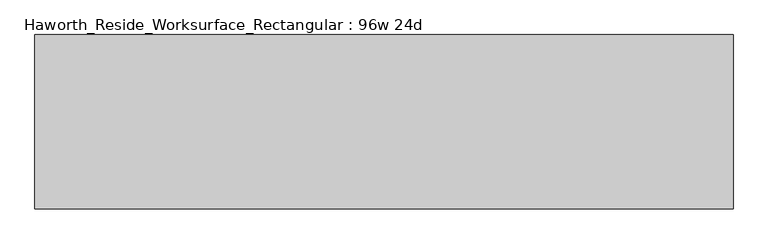
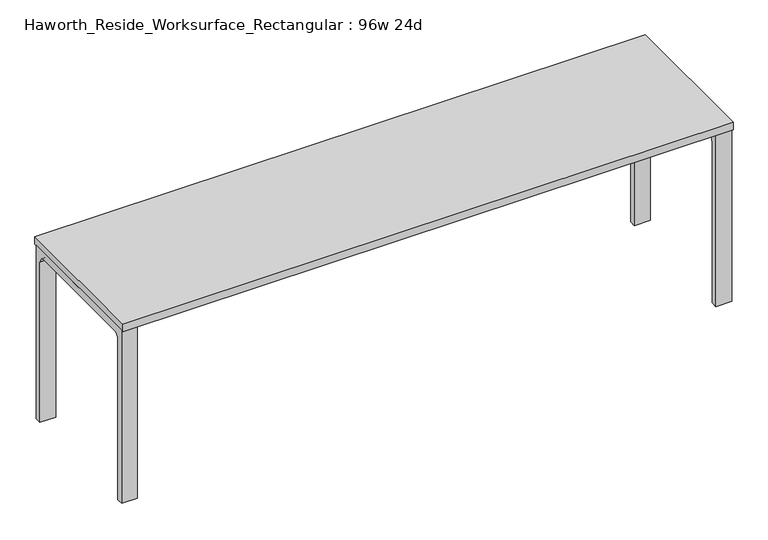
"""IFC4 building model written with IfcOpenShell, lengths in millimetres: furniture geometry, Haworth_Reside_Worksurface_Rectangular : 96w 24d."""

from ifc_helpers import new_model, si_unit, point, frame, frame_2d, origin, place, context, project, spatial, polyline, circle_curve, trimmed, segment, composite_curve, outline, extrude, source, transform, mapped, element, save


def haworth_reside_worksurface_rectangular_96w_24d_e9654bf2(model_context):
    return source(origin(), model_context, "Body", "SweptSolid", [
        extrude(outline(composite_curve([segment(trimmed(circle_curve(frame_2d((244.475, 676.275)), 25.4), [point((269.875, 676.275))], [point((244.475, 701.675))], True, "CARTESIAN"), True, "CONTINUOUS"), segment(polyline([(244.475, 701.675), (-244.475, 701.675)]), True, "CONTINUOUS"), segment(trimmed(circle_curve(frame_2d((-244.475, 676.275)), 25.4), [point((-244.475, 701.675))], [point((-269.875, 676.275))], True, "CARTESIAN"), True, "CONTINUOUS"), segment(polyline([(-269.875, 676.275), (-269.875, 0.0), (-295.275, 0.0), (-295.275, 731.8375), (295.275, 731.8375), (295.275, 0.0), (269.875, 0.0), (269.875, 676.275)]), True, "CONTINUOUS")], self_intersect=False)), frame((1155.7, 0.0, 0.0), z_axis=(1.0, 0.0, 0.0), x_axis=(0.0, 1.0, 0.0)), (0.0, 0.0, 1.0), 63.5),
        extrude(outline(composite_curve([segment(trimmed(circle_curve(frame_2d((244.475, 676.275)), 25.4), [point((269.875, 676.275))], [point((244.475, 701.675))], True, "CARTESIAN"), True, "CONTINUOUS"), segment(polyline([(244.475, 701.675), (-244.475, 701.675)]), True, "CONTINUOUS"), segment(trimmed(circle_curve(frame_2d((-244.475, 676.275)), 25.4), [point((-244.475, 701.675))], [point((-269.875, 676.275))], True, "CARTESIAN"), True, "CONTINUOUS"), segment(polyline([(-269.875, 676.275), (-269.875, 0.0), (-295.275, 0.0), (-295.275, 731.8375), (295.275, 731.8375), (295.275, 0.0), (269.875, 0.0), (269.875, 676.275)]), True, "CONTINUOUS")], self_intersect=False)), frame((-1219.2, 0.0, 0.0), z_axis=(1.0, 0.0, 0.0), x_axis=(0.0, 1.0, 0.0)), (0.0, 0.0, 1.0), 63.5),
        extrude(outline(polyline([(1219.2, 304.8), (1219.2, -304.8), (-1219.2, -304.8), (-1219.2, 304.8), (1219.2, 304.8)])), frame((0.0, 0.0, 731.8375), z_axis=(0.0, 0.0, 1.0), x_axis=(1.0, 0.0, 0.0)), (0.0, 0.0, 1.0), 30.1625),
    ])


if __name__ == "__main__":
    model = new_model("IFC4")
    model_context = context("Model", 3, world=origin())
    ifc_project = project(units=[si_unit("LENGTHUNIT", "METRE", prefix="MILLI")], contexts=[model_context])
    site = spatial("IfcSite", under=ifc_project)
    building = spatial("IfcBuilding", under=site)
    placement = place(None, origin())
    haworth_reside_worksurface_rectangular_96w_24d_shape = haworth_reside_worksurface_rectangular_96w_24d_e9654bf2(model_context)
    element("IfcFurniture", 1, ObjectType="Haworth_Reside_Worksurface_Rectangular : 96w 24d", at=placement, inside=building, context=model_context, shape_type="MappedRepresentation", body=[
        mapped(haworth_reside_worksurface_rectangular_96w_24d_shape, transform((0.0, 0.0, 0.0), x_axis=(1.0, 0.0, 0.0), y_axis=(0.0, 1.0, 0.0), z_axis=(0.0, 0.0, 1.0))),
    ])
    save(model, "model.ifc")
